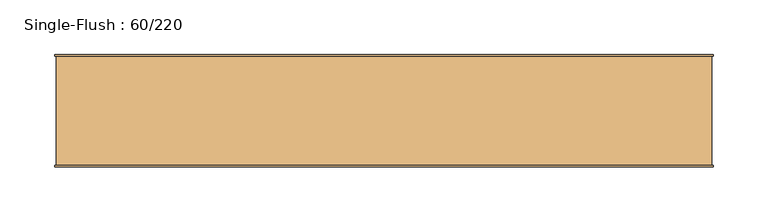
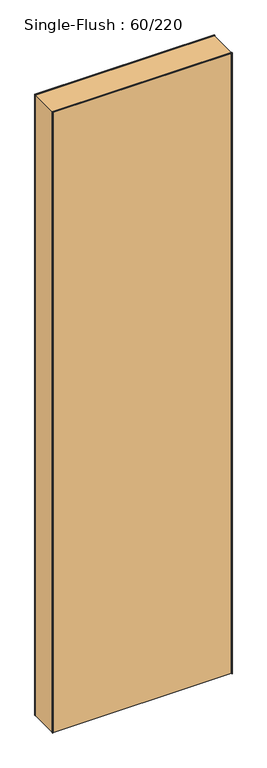
"""IFC4 building model written with IfcOpenShell, lengths in millimetres: door geometry, Single-Flush : 60/220."""

from ifc_helpers import new_model, si_unit, frame, origin, origin_with_axes, place, context, project, spatial, polyline, outline, extrude, source, transform, mapped, element, save


def single_flush_60_220_5b45dd81(model_context):
    return source(origin(), model_context, "Body", "SweptSolid", [
        extrude(outline(polyline([(2201.5875, -301.5875), (0.0, -301.5875), (0.0, -300.0), (2200.0, -300.0), (2200.0, 300.0), (0.0, 300.0), (0.0, 301.5875), (2201.5875, 301.5875), (2201.5875, -301.5875)])), frame((0.0, 50.0, 0.0), z_axis=(0.0, 1.0, 0.0), x_axis=(0.0, 0.0, 1.0)), (0.0, 0.0, 1.0), 1.5875),
        extrude(outline(polyline([(2201.5875, 301.5875), (2201.5875, -301.5875), (0.0, -301.5875), (0.0, -300.0), (2200.0, -300.0), (2200.0, 300.0), (0.0, 300.0), (0.0, 301.5875), (2201.5875, 301.5875)])), frame((0.0, -51.5875, 0.0), z_axis=(0.0, 1.0, 0.0), x_axis=(0.0, 0.0, 1.0)), (0.0, 0.0, 1.0), 1.5875),
        extrude(outline(polyline([(300.0, -50.0), (-300.0, -50.0), (-300.0, 50.0), (300.0, 50.0), (300.0, -50.0)])), origin_with_axes(), (0.0, 0.0, 1.0), 2200.0),
    ])


if __name__ == "__main__":
    model = new_model("IFC4")
    model_context = context("Model", 3, world=origin())
    ifc_project = project(units=[si_unit("LENGTHUNIT", "METRE", prefix="MILLI")], contexts=[model_context])
    site = spatial("IfcSite", under=ifc_project)
    building = spatial("IfcBuilding", under=site)
    placement = place(None, origin())
    single_flush_60_220_shape = single_flush_60_220_5b45dd81(model_context)
    element("IfcDoor", 1, ObjectType="Single-Flush : 60/220", at=placement, inside=building, context=model_context, shape_type="MappedRepresentation", body=[
        mapped(single_flush_60_220_shape, transform((0.0, 0.0, 0.0), x_axis=(1.0, 0.0, 0.0), y_axis=(0.0, 1.0, 0.0), z_axis=(0.0, 0.0, 1.0))),
    ])
    save(model, "model.ifc")
